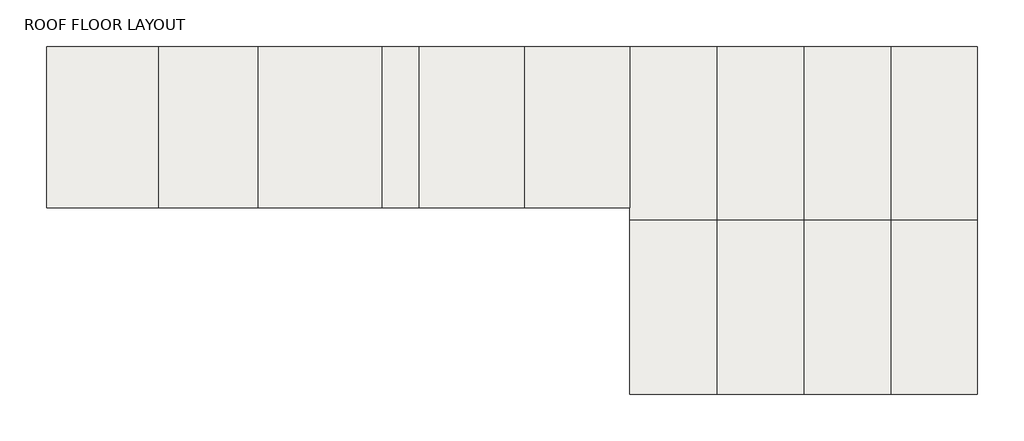
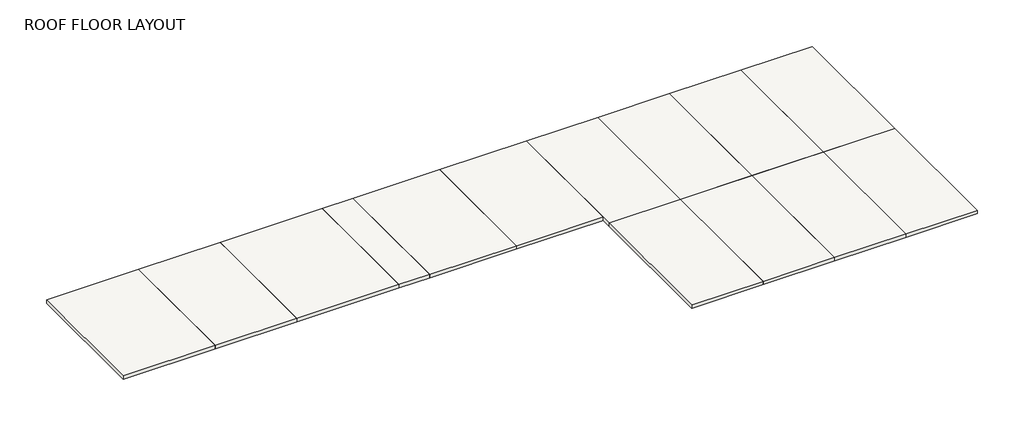
# One storey: 14 slabs.
"""IFC4 building model written with IfcOpenShell, lengths in millimetres."""

from ifc_helpers import new_model, si_unit, frame, origin, place, context, project, spatial, polyline, outline, extrude, faceted_brep, element, save

model = new_model("IFC4")

# Units and contexts
model_context = context("Model", 3, world=origin())
ifc_project = project(units=[si_unit("LENGTHUNIT", "METRE", prefix="MILLI")], contexts=[model_context])

# Site, building, storey
site = spatial("IfcSite", under=ifc_project)
building = spatial("IfcBuilding", under=site)
storey = spatial("IfcBuildingStorey", under=building, Name="ROOF FLOOR LAYOUT", Elevation=7800.0)

# Slabs
placement = place(None, origin())
element("IfcSlab", 1, ObjectType="Insitu Concrete 175mm", at=placement, inside=storey, context=model_context, shape_type="SweptSolid", body=[
    extrude(outline(polyline([(22196.647918, 17654.978224), (17696.647918, 17654.978224), (17696.647918, 24154.978224), (22196.647918, 24154.978224), (22196.647918, 17654.978224)])), frame((0.0, 0.0, 7625.0), z_axis=(0.0, 0.0, 1.0), x_axis=(1.0, 0.0, 0.0)), (0.0, 0.0, 1.0), 175.0),
])
element("IfcSlab", 2, ObjectType="Insitu Concrete 175mm", at=placement, inside=storey, context=model_context, shape_type="SweptSolid", body=[
    extrude(outline(polyline([(31196.647918, 17654.978224), (26196.647918, 17654.978224), (26196.647918, 24154.978224), (31196.647918, 24154.978224), (31196.647918, 17654.978224)])), frame((0.0, 0.0, 7625.0), z_axis=(0.0, 0.0, 1.0), x_axis=(1.0, 0.0, 0.0)), (0.0, 0.0, 1.0), 175.0),
])
element("IfcSlab", 3, ObjectType="Insitu Concrete 175mm", at=placement, inside=storey, context=model_context, shape_type="SweptSolid", body=[
    extrude(outline(polyline([(32696.647918, 17654.978224), (31196.647918, 17654.978224), (31196.647918, 24154.978224), (32696.647918, 24154.978224), (32696.647918, 17654.978224)])), frame((0.0, 0.0, 7625.0), z_axis=(0.0, 0.0, 1.0), x_axis=(1.0, 0.0, 0.0)), (0.0, 0.0, 1.0), 175.0),
])
element("IfcSlab", 4, ObjectType="Insitu Concrete 175mm", at=placement, inside=storey, context=model_context, shape_type="SweptSolid", body=[
    extrude(outline(polyline([(36946.621234, 17654.978224), (32696.647918, 17654.978224), (32696.647918, 24154.978224), (36946.621234, 24154.978224), (36946.621234, 17654.978224)])), frame((0.0, 0.0, 7625.0), z_axis=(0.0, 0.0, 1.0), x_axis=(1.0, 0.0, 0.0)), (0.0, 0.0, 1.0), 175.0),
])
element("IfcSlab", 5, ObjectType="Insitu Concrete 175mm", at=placement, inside=storey, context=model_context, shape_type="SweptSolid", body=[
    extrude(outline(polyline([(55196.59455, 17154.978224), (51696.59455, 17154.978224), (51696.59455, 24154.978224), (55196.59455, 24154.978224), (55196.59455, 17154.978224)])), frame((0.0, 0.0, 7625.0), z_axis=(0.0, 0.0, 1.0), x_axis=(1.0, 0.0, 0.0)), (0.0, 0.0, 1.0), 175.0),
])
element("IfcSlab", 6, ObjectType="Insitu Concrete 175mm", at=placement, inside=storey, context=model_context, shape_type="SweptSolid", body=[
    extrude(outline(polyline([(55196.59455, 10154.978224), (51696.59455, 10154.978224), (51696.59455, 17154.978224), (55196.59455, 17154.978224), (55196.59455, 10154.978224)])), frame((0.0, 0.0, 7625.0), z_axis=(0.0, 0.0, 1.0), x_axis=(1.0, 0.0, 0.0)), (0.0, 0.0, 1.0), 175.0),
])
element("IfcSlab", 7, ObjectType="Insitu Concrete 175mm", at=placement, inside=storey, context=model_context, shape_type="SweptSolid", body=[
    extrude(outline(polyline([(44696.59455, 10154.978224), (41196.59455, 10154.978224), (41196.59455, 17154.978224), (44696.59455, 17154.978224), (44696.59455, 10154.978224)])), frame((0.0, 0.0, 7625.0), z_axis=(0.0, 0.0, 1.0), x_axis=(1.0, 0.0, 0.0)), (0.0, 0.0, 1.0), 175.0),
])
element("IfcSlab", 8, ObjectType="Insitu Concrete 175mm", at=placement, inside=storey, context=model_context, shape_type="Brep", body=[
    faceted_brep([(41196.59455, 17154.978224, 7625.0), (41196.59455, 17154.978224, 7800.0), (41196.59455, 17654.978224, 7800.0), (41196.59455, 24154.978224, 7800.0), (41196.59455, 24154.978224, 7625.0), (41196.59455, 17654.978224, 7625.0), (44696.59455, 24154.978224, 7800.0), (44696.59455, 24154.978224, 7625.0), (44696.59455, 17154.978224, 7800.0), (44696.59455, 17154.978224, 7625.0)], [[[0, 1, 2, 3, 4, 5]], [[4, 3, 6, 7]], [[7, 6, 8, 9]], [[9, 8, 1, 0]], [[8, 6, 3, 2, 1]], [[9, 0, 5, 4, 7]]]),
])
element("IfcSlab", 9, ObjectType="Insitu Concrete 175mm", at=placement, inside=storey, context=model_context, shape_type="SweptSolid", body=[
    extrude(outline(polyline([(48196.59455, 10154.978224), (44696.59455, 10154.978224), (44696.59455, 17154.978224), (48196.59455, 17154.978224), (48196.59455, 10154.978224)])), frame((0.0, 0.0, 7625.0), z_axis=(0.0, 0.0, 1.0), x_axis=(1.0, 0.0, 0.0)), (0.0, 0.0, 1.0), 175.0),
])
element("IfcSlab", 10, ObjectType="Insitu Concrete 175mm", at=placement, inside=storey, context=model_context, shape_type="SweptSolid", body=[
    extrude(outline(polyline([(48196.59455, 17154.978224), (44696.59455, 17154.978224), (44696.59455, 24154.978224), (48196.59455, 24154.978224), (48196.59455, 17154.978224)])), frame((0.0, 0.0, 7625.0), z_axis=(0.0, 0.0, 1.0), x_axis=(1.0, 0.0, 0.0)), (0.0, 0.0, 1.0), 175.0),
])
element("IfcSlab", 11, ObjectType="Insitu Concrete 175mm", at=placement, inside=storey, context=model_context, shape_type="SweptSolid", body=[
    extrude(outline(polyline([(26196.647918, 17654.978224), (22196.647918, 17654.978224), (22196.647918, 24154.978224), (26196.647918, 24154.978224), (26196.647918, 17654.978224)])), frame((0.0, 0.0, 7625.0), z_axis=(0.0, 0.0, 1.0), x_axis=(1.0, 0.0, 0.0)), (0.0, 0.0, 1.0), 175.0),
])
element("IfcSlab", 12, ObjectType="Insitu Concrete 175mm", at=placement, inside=storey, context=model_context, shape_type="SweptSolid", body=[
    extrude(outline(polyline([(41196.59455, 17654.978224), (36946.621234, 17654.978224), (36946.621234, 24154.978224), (41196.59455, 24154.978224), (41196.59455, 17654.978224)])), frame((0.0, 0.0, 7625.0), z_axis=(0.0, 0.0, 1.0), x_axis=(1.0, 0.0, 0.0)), (0.0, 0.0, 1.0), 175.0),
])
element("IfcSlab", 13, ObjectType="Insitu Concrete 175mm", at=placement, inside=storey, context=model_context, shape_type="SweptSolid", body=[
    extrude(outline(polyline([(51696.59455, 17154.978224), (48196.59455, 17154.978224), (48196.59455, 24154.978224), (51696.59455, 24154.978224), (51696.59455, 17154.978224)])), frame((0.0, 0.0, 7625.0), z_axis=(0.0, 0.0, 1.0), x_axis=(1.0, 0.0, 0.0)), (0.0, 0.0, 1.0), 175.0),
])
element("IfcSlab", 14, ObjectType="Insitu Concrete 175mm", at=placement, inside=storey, context=model_context, shape_type="SweptSolid", body=[
    extrude(outline(polyline([(51696.59455, 10154.978224), (48196.59455, 10154.978224), (48196.59455, 17154.978224), (51696.59455, 17154.978224), (51696.59455, 10154.978224)])), frame((0.0, 0.0, 7625.0), z_axis=(0.0, 0.0, 1.0), x_axis=(1.0, 0.0, 0.0)), (0.0, 0.0, 1.0), 175.0),
])

save(model, "model.ifc")
